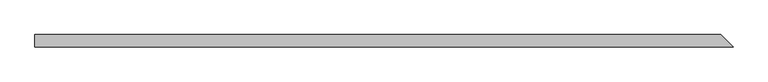
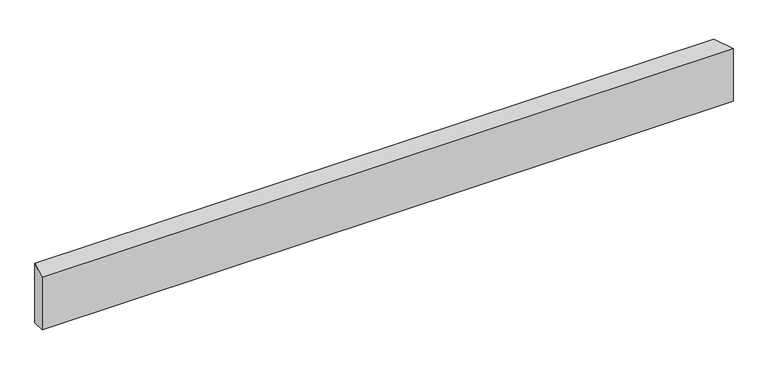
"""IFC4 building model written with IfcOpenShell, lengths in millimetres: beam geometry."""

import ifcopenshell
import ifcopenshell.guid

model = None  # the IFC model being written
_history = None  # IfcOwnerHistory: only IFC2X3 demands one
_inside = {}  # id of a spatial element -> (the spatial element, [elements in it])
_under = {}  # id of a project, library or spatial element -> (it, [spatial elements below it])
_declared = {}  # id of a project -> (the project, [libraries it declares])
_typed = {}  # id of a type object -> (the type object, [elements of that type])
_made_of = {}  # id of a material, layer set ... -> (it, [elements and type objects made of it])


def new_model(schema):
    """Start an empty IFC model of exactly this schema.

    Asked for "IFC4X3", IfcOpenShell would pick the latest addendum, in which some entities
    have other attributes; the version numbers below select the first issue.
    IFC2X3 requires an IfcOwnerHistory on every rooted entity: one is made here for all.
    """
    global model, _history
    if schema == "IFC4X3":
        model = ifcopenshell.file(schema_version=(4, 3, 0, 0))
    else:
        model = ifcopenshell.file(schema=schema)
    _inside.clear()
    _under.clear()
    _declared.clear()
    _typed.clear()
    _made_of.clear()
    _history = None
    if model.schema == "IFC2X3":
        org = make("IfcOrganization", Name="unknown")
        user = make(
            "IfcPersonAndOrganization",
            ThePerson=make("IfcPerson", FamilyName="unknown"),
            TheOrganization=org,
        )
        app = make(
            "IfcApplication",
            ApplicationDeveloper=org,
            Version="unknown",
            ApplicationFullName="unknown",
            ApplicationIdentifier="unknown",
        )
        _history = make(
            "IfcOwnerHistory",
            OwningUser=user,
            OwningApplication=app,
            ChangeAction="ADDED",
            CreationDate=0,
        )
    return model


def make(cls, **values):
    """One entity of the class cls with the attributes given. An attribute that is None is left unset."""
    return model.create_entity(
        cls, **{name: value for name, value in values.items() if value is not None}
    )


def rooted(cls, **values):
    """An entity with a GlobalId (a new one), such as an element, a storey or a relation."""
    return make(cls, GlobalId=ifcopenshell.guid.new(), OwnerHistory=_history, **values)


def si_unit(unit_type, name, prefix=None):
    """IfcSIUnit, for example si_unit("LENGTHUNIT", "METRE", prefix="MILLI")."""
    return make("IfcSIUnit", UnitType=unit_type, Prefix=prefix, Name=name)


def assignment(units):
    """IfcUnitAssignment: the units of a project."""
    return None if units is None else make("IfcUnitAssignment", Units=units)


def point(xyz):
    """IfcCartesianPoint."""
    return None if xyz is None else make("IfcCartesianPoint", Coordinates=xyz)


def direction(xyz):
    """IfcDirection."""
    return None if xyz is None else make("IfcDirection", DirectionRatios=xyz)


def frame(location, z_axis=None, x_axis=None):
    """IfcAxis2Placement3D, a coordinate frame: its origin and axes. An axis left out is left unset."""
    return make(
        "IfcAxis2Placement3D",
        Location=point(location),
        Axis=direction(z_axis),
        RefDirection=direction(x_axis),
    )


def origin():
    """The frame at (0, 0, 0) with its axes left unset."""
    return frame((0.0, 0.0, 0.0))


def place(relative_to, where):
    """IfcLocalPlacement: puts the frame where relative to a parent placement (None: the world)."""
    return make(
        "IfcLocalPlacement", PlacementRelTo=relative_to, RelativePlacement=where
    )


def context(
    kind, dimensions, precision=None, world=None, true_north=None, identifier=None
):
    """IfcGeometricRepresentationContext, for example the 3D "Model" context."""
    return make(
        "IfcGeometricRepresentationContext",
        ContextIdentifier=identifier,
        ContextType=kind,
        CoordinateSpaceDimension=dimensions,
        Precision=precision,
        WorldCoordinateSystem=world,
        TrueNorth=true_north,
    )


def project(units=None, contexts=None):
    """IfcProject with its units and contexts."""
    return rooted(
        "IfcProject",
        Name="project",
        RepresentationContexts=contexts,
        UnitsInContext=assignment(units),
    )


def spatial(cls, under=None, at=None, **own):
    """A site, building, storey or space (cls), placed at a placement, below another one or the project."""
    s = rooted(cls, ObjectPlacement=at, **own)
    if under is not None:
        _under.setdefault(under.id(), (under, []))[1].append(s)
    return s


def faces_of(points, faces, orient=None, outer=None):
    """IfcFace entities. A face is a list of loops; a loop is a list of indices into points, from 0.

    orient and outer hold one flag for each loop. By default every Orientation is true, the
    first loop of a face is its IfcFaceOuterBound and the others are IfcFaceBound.
    """
    made = []
    for i, loops in enumerate(faces):
        bounds = []
        for j, loop in enumerate(loops):
            is_outer = j == 0 if outer is None else outer[i][j]
            bounds.append(
                make(
                    "IfcFaceOuterBound" if is_outer else "IfcFaceBound",
                    Bound=make("IfcPolyLoop", Polygon=[points[k] for k in loop]),
                    Orientation=True if orient is None else orient[i][j],
                )
            )
        made.append(make("IfcFace", Bounds=bounds))
    return made


def faceted_brep(points, faces, orient=None, outer=None, voids=None):
    """IfcFacetedBrep: a solid bounded by flat faces; with voids (closed shells), ...WithVoids."""
    shared = [point(p) for p in points]
    hull = make("IfcClosedShell", CfsFaces=faces_of(shared, faces, orient, outer))
    if voids is None:
        return make("IfcFacetedBrep", Outer=hull)
    return make(
        "IfcFacetedBrepWithVoids",
        Outer=hull,
        Voids=[
            make(cls, CfsFaces=faces_of(shared, fs, o, b)) for cls, fs, o, b in voids
        ],
    )


def shape(context_of_items, identifier, shape_type, items):
    """IfcShapeRepresentation: the items that make up one representation, for example the "Body"."""
    return make(
        "IfcShapeRepresentation",
        ContextOfItems=context_of_items,
        RepresentationIdentifier=identifier,
        RepresentationType=shape_type,
        Items=items,
    )


def source(mapping_origin, context_of_items, identifier, shape_type, items):
    """IfcRepresentationMap: a shape defined once, which mapped items show again and again."""
    return make(
        "IfcRepresentationMap",
        MappingOrigin=mapping_origin,
        MappedRepresentation=shape(context_of_items, identifier, shape_type, items),
    )


def transform(
    local_origin,
    x_axis=None,
    y_axis=None,
    z_axis=None,
    scale=None,
    scale2=None,
    scale3=None,
    uniform=True,
):
    """IfcCartesianTransformationOperator3D, or its non-uniform kind. x_axis, y_axis, z_axis: its Axis1, 2, 3."""
    if uniform:
        return make(
            "IfcCartesianTransformationOperator3D",
            Axis1=direction(x_axis),
            Axis2=direction(y_axis),
            LocalOrigin=point(local_origin),
            Scale=scale,
            Axis3=direction(z_axis),
        )
    return make(
        "IfcCartesianTransformationOperator3DnonUniform",
        Axis1=direction(x_axis),
        Axis2=direction(y_axis),
        LocalOrigin=point(local_origin),
        Scale=scale,
        Axis3=direction(z_axis),
        Scale2=scale2,
        Scale3=scale3,
    )


def mapped(mapping_source, mapping_target):
    """IfcMappedItem: shows the shape of a source again, moved by a transform."""
    return make(
        "IfcMappedItem", MappingSource=mapping_source, MappingTarget=mapping_target
    )


def made_of(thing, what):
    """Note that an element or type object is made of a material, layer set ...; save() writes the relation."""
    if what is not None:
        _made_of.setdefault(what.id(), (what, []))[1].append(thing)
    return thing


def element(
    cls,
    number,
    at=None,
    inside=None,
    cuts=None,
    type_object=None,
    material=None,
    context=None,
    identifier="Body",
    shape_type=None,
    held_by="IfcProductDefinitionShape",
    body=None,
    shapes=None,
    **own,
):
    """One element of the class cls, such as IfcWall. Its Tag is "e" and its number.

    at: its placement. inside: the storey or other place that contains it. cuts: it is an
    opening in that element (IfcRelVoidsElement). A single representation is given by context,
    identifier, shape_type and body (its items); several are given by shapes. held_by: the class
    of the entity that holds the representations. save() writes the other relations.
    """
    e = rooted(cls, Tag="e%d" % number, ObjectPlacement=at, **own)
    if body is not None:
        shapes = [shape(context, identifier, shape_type, body)]
    if shapes is not None:
        e.Representation = make(held_by, Representations=shapes)
    if inside is not None:
        _inside.setdefault(inside.id(), (inside, []))[1].append(e)
    if cuts is not None:
        rooted(
            "IfcRelVoidsElement", RelatingBuildingElement=cuts, RelatedOpeningElement=e
        )
    if type_object is not None:
        _typed.setdefault(type_object.id(), (type_object, []))[1].append(e)
    return made_of(e, material)


def aggregate(whole, parts):
    """IfcRelAggregates: a whole, such as a stair, and the parts it consists of."""
    return rooted("IfcRelAggregates", RelatingObject=whole, RelatedObjects=parts)


def save(model, path):
    """Write the relations noted so far, then the file.

    IfcRelAggregates (storeys below a building ...), IfcRelContainedInSpatialStructure (elements
    in a storey), IfcRelDefinesByType, IfcRelAssociatesMaterial and IfcRelDeclares: one each for
    every whole, place, type object, material and project.
    """
    for whole, parts in _under.values():
        aggregate(whole, parts)
    for where, things in _inside.values():
        rooted(
            "IfcRelContainedInSpatialStructure",
            RelatedElements=things,
            RelatingStructure=where,
        )
    for kind, things in _typed.values():
        rooted("IfcRelDefinesByType", RelatedObjects=things, RelatingType=kind)
    for what, things in _made_of.values():
        rooted("IfcRelAssociatesMaterial", RelatedObjects=things, RelatingMaterial=what)
    for by, libraries in _declared.values():
        rooted("IfcRelDeclares", RelatingContext=by, RelatedDefinitions=libraries)
    model.write(path)


def beam_925aa687(model_context):
    return source(origin(), model_context, "Body", "Brep", [
        faceted_brep([(619.61369, -11.0, 55.8), (-608.61369, -11.0, 55.8), (-608.61369, -11.0, -42.9666667), (619.61369, -11.0, -42.9666667), (597.61369, 11.0, 68.6333333), (597.61369, 11.0, -42.9666667), (-608.61369, 11.0, -42.9666667), (-608.61369, 11.0, 68.6333333)], [[[0, 1, 2, 3]], [[4, 5, 6, 7]], [[5, 4, 0, 3]], [[6, 5, 3, 2]], [[7, 6, 2, 1]], [[4, 7, 1, 0]]]),
    ])


if __name__ == "__main__":
    model = new_model("IFC4")
    model_context = context("Model", 3, world=origin())
    ifc_project = project(units=[si_unit("LENGTHUNIT", "METRE", prefix="MILLI")], contexts=[model_context])
    site = spatial("IfcSite", under=ifc_project)
    building = spatial("IfcBuilding", under=site)
    placement = place(None, origin())
    beam_shape = beam_925aa687(model_context)
    element("IfcBeam", 1, at=placement, inside=building, context=model_context, shape_type="MappedRepresentation", body=[
        mapped(beam_shape, transform((0.0, 0.0, 0.0), x_axis=(1.0, 0.0, 0.0), y_axis=(0.0, 1.0, 0.0), z_axis=(0.0, 0.0, 1.0))),
    ])
    save(model, "model.ifc")
